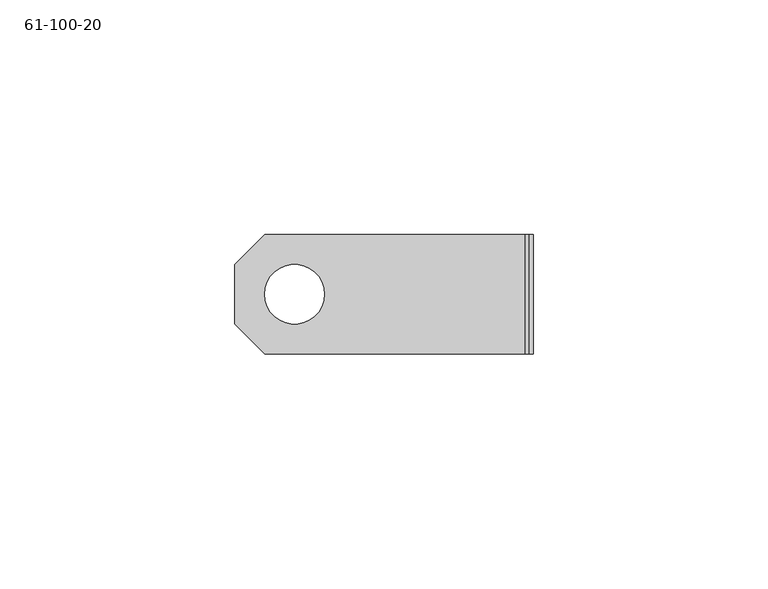
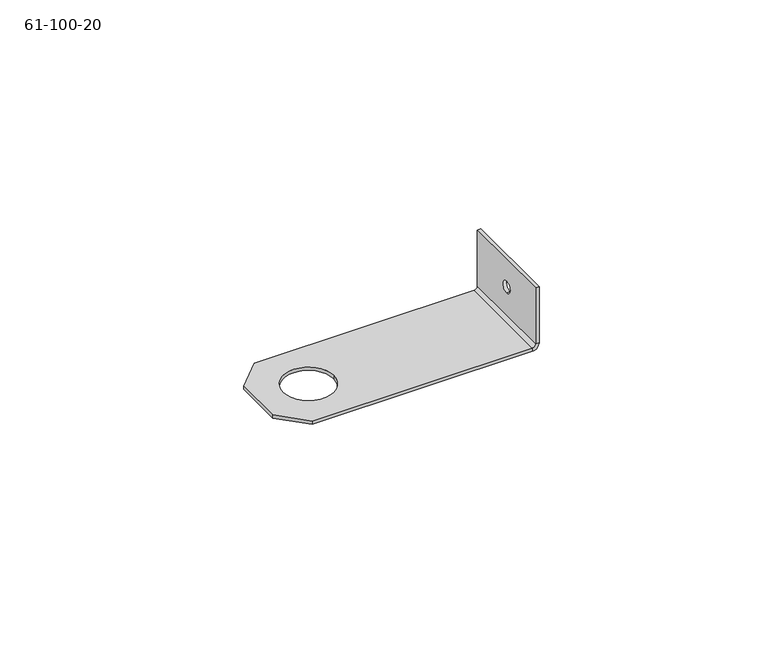
"""IFC4 building model written with IfcOpenShell, lengths in millimetres: proxy geometry, 61-100-20."""

from ifc_helpers import new_model, si_unit, frame, origin, place, context, project, spatial, polyline, circle_curve, source, transform, mapped, element, save
from ifc_brep_helpers import plane_surface, cylinder_surface, revolved_surface, advanced_brep


def proxy_61_100_20_69c69266(model_context):
    return source(origin(), model_context, "Body", "AdvancedBrep", [
        advanced_brep(
        [(-32.0257578, 2.1181814, 0.0), (-32.0257578, 2.1181814, 0.85344), (-44.7257578, 2.1181814, 0.85344), (-44.7257578, 2.1181814, 0.0), (11.5708022, 2.1181814, 7.64794), (12.4242422, 2.1181814, 7.64794), (12.4242422, 2.1181814, 10.69594), (11.5708022, 2.1181814, 10.69594), (-44.7257578, -10.5818186, 0.85344), (-51.0757578, -4.2318186, 0.85344), (-51.0757578, -4.2318186, 0.0), (-44.7257578, -10.5818186, 0.0), (10.7173622, -10.5818186, 0.0), (10.7173622, -10.5818186, 0.85344), (-51.0757578, 8.4681814, 0.0), (-44.7257578, 14.8181814, 0.0), (10.7173622, 14.8181814, 0.0), (-51.0757578, 8.4681814, 0.85344), (-44.7257578, 14.8181814, 0.85344), (10.7173622, 14.8181814, 0.85344), (12.4242422, 14.8181814, 1.70688), (12.4242422, -10.5818186, 1.70688), (11.5708022, 14.8181814, 1.70688), (11.5708022, 14.8181814, 16.637), (12.4242422, 14.8181814, 16.637), (11.5708022, -10.5818186, 1.70688), (11.5708022, -10.5818186, 16.637), (12.4242422, -10.5818186, 16.637)],
        [
            (0, 1),
            (1, 2, circle_curve(frame((-38.3757578, 2.1181814, 0.85344), z_axis=(0.0, 0.0, 1.0), x_axis=(1.0, 0.0, 0.0)), 6.35)),
            (2, 3),
            (3, 0, circle_curve(frame((-38.3757578, 2.1181814, 0.0), z_axis=(0.0, 0.0, -1.0), x_axis=(1.0, 0.0, 0.0)), 6.35)),
            (4, 5),
            (5, 6, circle_curve(frame((12.4242422, 2.1181814, 9.17194), z_axis=(1.0, 0.0, 0.0), x_axis=(0.0, 0.0, -1.0)), 1.524)),
            (6, 7),
            (7, 4, circle_curve(frame((11.5708022, 2.1181814, 9.17194), z_axis=(-1.0, 0.0, 0.0), x_axis=(0.0, 0.0, -1.0)), 1.524)),
            (4, 7, circle_curve(frame((11.5708022, 2.1181814, 9.17194), z_axis=(-1.0, 0.0, 0.0), x_axis=(0.0, 0.0, -1.0)), 1.524)),
            (6, 5, circle_curve(frame((12.4242422, 2.1181814, 9.17194), z_axis=(1.0, 0.0, 0.0), x_axis=(0.0, 0.0, -1.0)), 1.524)),
            (0, 3, circle_curve(frame((-38.3757578, 2.1181814, 0.0), z_axis=(0.0, 0.0, -1.0), x_axis=(1.0, 0.0, 0.0)), 6.35)),
            (2, 1, circle_curve(frame((-38.3757578, 2.1181814, 0.85344), z_axis=(0.0, 0.0, 1.0), x_axis=(1.0, 0.0, 0.0)), 6.35)),
            (8, 9),
            (9, 10),
            (10, 11),
            (11, 8),
            (11, 12),
            (12, 13),
            (13, 8),
            (10, 14),
            (14, 15),
            (15, 16),
            (16, 12),
            (17, 18),
            (18, 15),
            (14, 17),
            (18, 19),
            (19, 16),
            (20, 21),
            (21, 12, circle_curve(frame((10.7173622, -10.5818186, 1.70688), z_axis=(0.0, 1.0, 0.0), x_axis=(0.0, 0.0, -1.0)), 1.70688)),
            (16, 20, circle_curve(frame((10.7173622, 14.8181814, 1.70688), z_axis=(0.0, -1.0, 0.0), x_axis=(0.0, 0.0, -1.0)), 1.70688)),
            (20, 22),
            (22, 23),
            (23, 24),
            (24, 20),
            (22, 25),
            (25, 26),
            (26, 23),
            (21, 25),
            (25, 13, circle_curve(frame((10.7173622, -10.5818186, 1.70688), z_axis=(0.0, 1.0, 0.0), x_axis=(0.0, 0.0, -1.0)), 0.85344)),
            (19, 22, circle_curve(frame((10.7173622, 14.8181814, 1.70688), z_axis=(0.0, -1.0, 0.0), x_axis=(0.0, 0.0, -1.0)), 0.85344)),
            (21, 27),
            (27, 26),
            (27, 24),
            (19, 13),
            (9, 17),
        ],
        [
            revolved_surface(polyline([(-32.0257578, 2.1181814, 0.85344), (-32.0257578, 2.1181814, 0.0)]), (-38.3757578, 2.1181814, 0.42672), (0.0, 0.0, 1.0)),
            revolved_surface(polyline([(12.4242422, 2.1181814, 7.647939999999999), (11.5708022, 2.1181814, 7.647939999999999)]), (11.9975222, 2.1181814, 9.17194), (1.0, 0.0, 0.0)),
            plane_surface(frame((-47.9007578, -7.4068186, 0.0), z_axis=(-0.7071067811865477, -0.7071067811865475, 0.0), x_axis=(0.0, 0.0, 1.0))),
            plane_surface(frame((12.4242422, -10.5818186, 0.0), z_axis=(0.0, -1.0, 0.0), x_axis=(0.0, 0.0, -1.0))),
            plane_surface(frame((-19.3257578, 2.1181814, 0.0), z_axis=(0.0, 0.0, -1.0), x_axis=(1.0, 0.0, 0.0))),
            plane_surface(frame((-47.9007578, 11.6431814, 0.0), z_axis=(-0.7071067811865477, 0.7071067811865475, 0.0), x_axis=(0.0, 0.0, 1.0))),
            plane_surface(frame((-51.0757578, 14.8181814, 0.0), z_axis=(0.0, 1.0, 0.0), x_axis=(0.0, 0.0, 1.0))),
            cylinder_surface(frame((10.7173622, 2.1181814, 1.70688), z_axis=(0.0, -1.0, 0.0), x_axis=(0.0, 0.0, -1.0)), 1.70688),
            plane_surface(frame((11.5708022, 14.8181814, 1.70688), z_axis=(0.0, 1.0, 0.0), x_axis=(-1.0, 0.0, 0.0))),
            plane_surface(frame((11.5708022, 2.1181814, 8.2067221), z_axis=(-1.0, 0.0, 0.0), x_axis=(0.0, 0.0, 1.0))),
            plane_surface(frame((11.5708022, -10.5818186, 1.70688), z_axis=(0.0, -1.0, 0.0), x_axis=(0.0, 0.0, -1.0))),
            plane_surface(frame((12.4242422, 14.8181814, 1.70688), z_axis=(0.0, 1.0, 0.0), x_axis=(0.0, 0.0, 1.0))),
            plane_surface(frame((11.5708022, -10.5818186, 1.70688), z_axis=(0.0, -1.0, 0.0), x_axis=(1.0, 0.0, 0.0))),
            plane_surface(frame((11.5708022, -10.5818186, 16.637), z_axis=(0.0, 0.0, 1.0), x_axis=(1.0, 0.0, 0.0))),
            plane_surface(frame((12.4242422, 2.1181814, 8.2067221), z_axis=(1.0, 0.0, 0.0), x_axis=(0.0, 0.0, 1.0))),
            revolved_surface(polyline([(10.7173622, -10.581818599999998, 0.85344), (10.7173622, 14.8181814, 0.85344)]), (10.7173622, 2.1181814, 1.70688), (0.0, -1.0, 0.0)),
            plane_surface(frame((-51.0757578, -10.5818186, 0.0), z_axis=(-1.0, 0.0, 0.0), x_axis=(0.0, 0.0, 1.0))),
            plane_surface(frame((-19.3257578, 2.1181814, 0.85344), z_axis=(0.0, 0.0, 1.0), x_axis=(1.0, 0.0, 0.0))),
        ],
        [
            (0, [[1, 2, 3, 4]]),
            (1, [[5, 6, 7, 8]]),
            (1, [[-5, 9, -7, 10]]),
            (0, [[-1, 11, -3, 12]]),
            (2, [[13, 14, 15, 16]]),
            (3, [[-16, 17, 18, 19]]),
            (4, [[-15, 20, 21, 22, 23, -17], [-4, -11]]),
            (5, [[24, 25, -21, 26]]),
            (6, [[-25, 27, 28, -22]]),
            (7, [[29, 30, -23, 31]]),
            (8, [[32, 33, 34, 35]]),
            (9, [[36, 37, 38, -33], [-8, -9]]),
            (10, [[39, 40, -18, -30]]),
            (11, [[-32, -31, -28, 41]]),
            (12, [[-39, 42, 43, -37]]),
            (13, [[44, -34, -38, -43]]),
            (14, [[-29, -35, -44, -42], [-10, -6]]),
            (15, [[-36, -41, 45, -40]]),
            (16, [[-14, 46, -26, -20]]),
            (17, [[-13, -19, -45, -27, -24, -46], [-12, -2]]),
        ],
    ),
    ])


if __name__ == "__main__":
    model = new_model("IFC4")
    model_context = context("Model", 3, world=origin())
    ifc_project = project(units=[si_unit("LENGTHUNIT", "METRE", prefix="MILLI")], contexts=[model_context])
    site = spatial("IfcSite", under=ifc_project)
    building = spatial("IfcBuilding", under=site)
    placement = place(None, origin())
    proxy_61_100_20_shape = proxy_61_100_20_69c69266(model_context)
    element("IfcBuildingElementProxy", 1, Name="61-100-20", ObjectType="61-100-20", at=placement, inside=building, context=model_context, shape_type="MappedRepresentation", body=[
        mapped(proxy_61_100_20_shape, transform((0.0, 0.0, 0.0), x_axis=(1.0, 0.0, 0.0), y_axis=(0.0, 1.0, 0.0), z_axis=(0.0, 0.0, 1.0))),
    ])
    save(model, "model.ifc")
